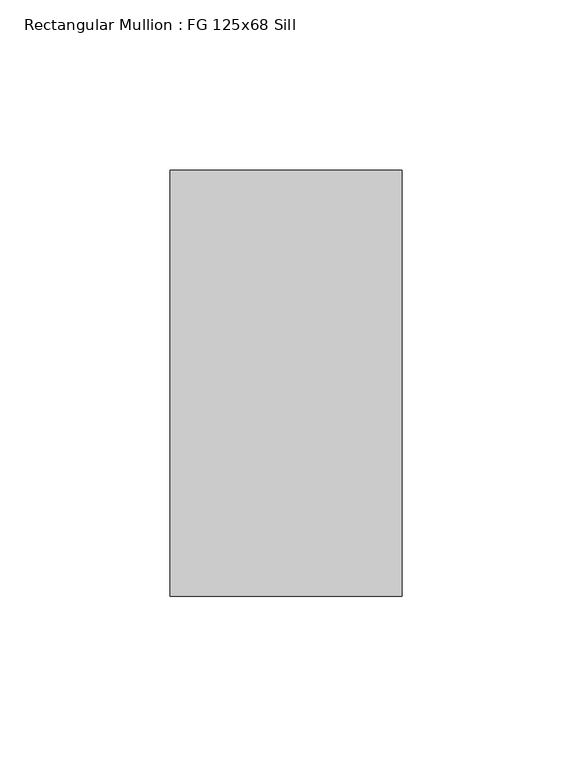
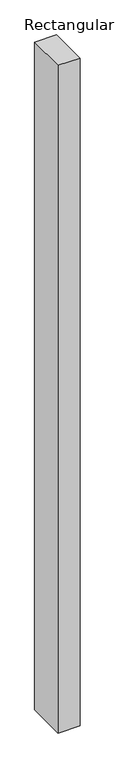
"""IFC4 building model written with IfcOpenShell, lengths in millimetres: member geometry, Rectangular Mullion : FG 125x68 Sill."""

import ifcopenshell
import ifcopenshell.guid

model = None  # the IFC model being written
_history = None  # IfcOwnerHistory: only IFC2X3 demands one
_inside = {}  # id of a spatial element -> (the spatial element, [elements in it])
_under = {}  # id of a project, library or spatial element -> (it, [spatial elements below it])
_declared = {}  # id of a project -> (the project, [libraries it declares])
_typed = {}  # id of a type object -> (the type object, [elements of that type])
_made_of = {}  # id of a material, layer set ... -> (it, [elements and type objects made of it])


def new_model(schema):
    """Start an empty IFC model of exactly this schema.

    Asked for "IFC4X3", IfcOpenShell would pick the latest addendum, in which some entities
    have other attributes; the version numbers below select the first issue.
    IFC2X3 requires an IfcOwnerHistory on every rooted entity: one is made here for all.
    """
    global model, _history
    if schema == "IFC4X3":
        model = ifcopenshell.file(schema_version=(4, 3, 0, 0))
    else:
        model = ifcopenshell.file(schema=schema)
    _inside.clear()
    _under.clear()
    _declared.clear()
    _typed.clear()
    _made_of.clear()
    _history = None
    if model.schema == "IFC2X3":
        org = make("IfcOrganization", Name="unknown")
        user = make(
            "IfcPersonAndOrganization",
            ThePerson=make("IfcPerson", FamilyName="unknown"),
            TheOrganization=org,
        )
        app = make(
            "IfcApplication",
            ApplicationDeveloper=org,
            Version="unknown",
            ApplicationFullName="unknown",
            ApplicationIdentifier="unknown",
        )
        _history = make(
            "IfcOwnerHistory",
            OwningUser=user,
            OwningApplication=app,
            ChangeAction="ADDED",
            CreationDate=0,
        )
    return model


def make(cls, **values):
    """One entity of the class cls with the attributes given. An attribute that is None is left unset."""
    return model.create_entity(
        cls, **{name: value for name, value in values.items() if value is not None}
    )


def rooted(cls, **values):
    """An entity with a GlobalId (a new one), such as an element, a storey or a relation."""
    return make(cls, GlobalId=ifcopenshell.guid.new(), OwnerHistory=_history, **values)


def si_unit(unit_type, name, prefix=None):
    """IfcSIUnit, for example si_unit("LENGTHUNIT", "METRE", prefix="MILLI")."""
    return make("IfcSIUnit", UnitType=unit_type, Prefix=prefix, Name=name)


def assignment(units):
    """IfcUnitAssignment: the units of a project."""
    return None if units is None else make("IfcUnitAssignment", Units=units)


def point(xyz):
    """IfcCartesianPoint."""
    return None if xyz is None else make("IfcCartesianPoint", Coordinates=xyz)


def direction(xyz):
    """IfcDirection."""
    return None if xyz is None else make("IfcDirection", DirectionRatios=xyz)


def frame(location, z_axis=None, x_axis=None):
    """IfcAxis2Placement3D, a coordinate frame: its origin and axes. An axis left out is left unset."""
    return make(
        "IfcAxis2Placement3D",
        Location=point(location),
        Axis=direction(z_axis),
        RefDirection=direction(x_axis),
    )


def origin():
    """The frame at (0, 0, 0) with its axes left unset."""
    return frame((0.0, 0.0, 0.0))


def place(relative_to, where):
    """IfcLocalPlacement: puts the frame where relative to a parent placement (None: the world)."""
    return make(
        "IfcLocalPlacement", PlacementRelTo=relative_to, RelativePlacement=where
    )


def context(
    kind, dimensions, precision=None, world=None, true_north=None, identifier=None
):
    """IfcGeometricRepresentationContext, for example the 3D "Model" context."""
    return make(
        "IfcGeometricRepresentationContext",
        ContextIdentifier=identifier,
        ContextType=kind,
        CoordinateSpaceDimension=dimensions,
        Precision=precision,
        WorldCoordinateSystem=world,
        TrueNorth=true_north,
    )


def project(units=None, contexts=None):
    """IfcProject with its units and contexts."""
    return rooted(
        "IfcProject",
        Name="project",
        RepresentationContexts=contexts,
        UnitsInContext=assignment(units),
    )


def spatial(cls, under=None, at=None, **own):
    """A site, building, storey or space (cls), placed at a placement, below another one or the project."""
    s = rooted(cls, ObjectPlacement=at, **own)
    if under is not None:
        _under.setdefault(under.id(), (under, []))[1].append(s)
    return s


def polyline(points):
    """IfcPolyline through the points."""
    return make("IfcPolyline", Points=[point(p) for p in points])


def outline(outer, holes=None, kind="AREA"):
    """IfcArbitraryClosedProfileDef: a profile drawn as a closed curve; with holes, ...WithVoids."""
    if holes is None:
        return make("IfcArbitraryClosedProfileDef", ProfileType=kind, OuterCurve=outer)
    return make(
        "IfcArbitraryProfileDefWithVoids",
        ProfileType=kind,
        OuterCurve=outer,
        InnerCurves=holes,
    )


def extrude(swept, where, along, depth):
    """IfcExtrudedAreaSolid: the profile swept, set in the frame where, extruded along a direction by depth."""
    return make(
        "IfcExtrudedAreaSolid",
        SweptArea=swept,
        Position=where,
        ExtrudedDirection=direction(along),
        Depth=depth,
    )


def shape(context_of_items, identifier, shape_type, items):
    """IfcShapeRepresentation: the items that make up one representation, for example the "Body"."""
    return make(
        "IfcShapeRepresentation",
        ContextOfItems=context_of_items,
        RepresentationIdentifier=identifier,
        RepresentationType=shape_type,
        Items=items,
    )


def source(mapping_origin, context_of_items, identifier, shape_type, items):
    """IfcRepresentationMap: a shape defined once, which mapped items show again and again."""
    return make(
        "IfcRepresentationMap",
        MappingOrigin=mapping_origin,
        MappedRepresentation=shape(context_of_items, identifier, shape_type, items),
    )


def transform(
    local_origin,
    x_axis=None,
    y_axis=None,
    z_axis=None,
    scale=None,
    scale2=None,
    scale3=None,
    uniform=True,
):
    """IfcCartesianTransformationOperator3D, or its non-uniform kind. x_axis, y_axis, z_axis: its Axis1, 2, 3."""
    if uniform:
        return make(
            "IfcCartesianTransformationOperator3D",
            Axis1=direction(x_axis),
            Axis2=direction(y_axis),
            LocalOrigin=point(local_origin),
            Scale=scale,
            Axis3=direction(z_axis),
        )
    return make(
        "IfcCartesianTransformationOperator3DnonUniform",
        Axis1=direction(x_axis),
        Axis2=direction(y_axis),
        LocalOrigin=point(local_origin),
        Scale=scale,
        Axis3=direction(z_axis),
        Scale2=scale2,
        Scale3=scale3,
    )


def mapped(mapping_source, mapping_target):
    """IfcMappedItem: shows the shape of a source again, moved by a transform."""
    return make(
        "IfcMappedItem", MappingSource=mapping_source, MappingTarget=mapping_target
    )


def made_of(thing, what):
    """Note that an element or type object is made of a material, layer set ...; save() writes the relation."""
    if what is not None:
        _made_of.setdefault(what.id(), (what, []))[1].append(thing)
    return thing


def element(
    cls,
    number,
    at=None,
    inside=None,
    cuts=None,
    type_object=None,
    material=None,
    context=None,
    identifier="Body",
    shape_type=None,
    held_by="IfcProductDefinitionShape",
    body=None,
    shapes=None,
    **own,
):
    """One element of the class cls, such as IfcWall. Its Tag is "e" and its number.

    at: its placement. inside: the storey or other place that contains it. cuts: it is an
    opening in that element (IfcRelVoidsElement). A single representation is given by context,
    identifier, shape_type and body (its items); several are given by shapes. held_by: the class
    of the entity that holds the representations. save() writes the other relations.
    """
    e = rooted(cls, Tag="e%d" % number, ObjectPlacement=at, **own)
    if body is not None:
        shapes = [shape(context, identifier, shape_type, body)]
    if shapes is not None:
        e.Representation = make(held_by, Representations=shapes)
    if inside is not None:
        _inside.setdefault(inside.id(), (inside, []))[1].append(e)
    if cuts is not None:
        rooted(
            "IfcRelVoidsElement", RelatingBuildingElement=cuts, RelatedOpeningElement=e
        )
    if type_object is not None:
        _typed.setdefault(type_object.id(), (type_object, []))[1].append(e)
    return made_of(e, material)


def aggregate(whole, parts):
    """IfcRelAggregates: a whole, such as a stair, and the parts it consists of."""
    return rooted("IfcRelAggregates", RelatingObject=whole, RelatedObjects=parts)


def save(model, path):
    """Write the relations noted so far, then the file.

    IfcRelAggregates (storeys below a building ...), IfcRelContainedInSpatialStructure (elements
    in a storey), IfcRelDefinesByType, IfcRelAssociatesMaterial and IfcRelDeclares: one each for
    every whole, place, type object, material and project.
    """
    for whole, parts in _under.values():
        aggregate(whole, parts)
    for where, things in _inside.values():
        rooted(
            "IfcRelContainedInSpatialStructure",
            RelatedElements=things,
            RelatingStructure=where,
        )
    for kind, things in _typed.values():
        rooted("IfcRelDefinesByType", RelatedObjects=things, RelatingType=kind)
    for what, things in _made_of.values():
        rooted("IfcRelAssociatesMaterial", RelatedObjects=things, RelatingMaterial=what)
    for by, libraries in _declared.values():
        rooted("IfcRelDeclares", RelatingContext=by, RelatedDefinitions=libraries)
    model.write(path)


def rectangular_mullion_fg_125x68_sill_bdce8b96(model_context):
    return source(origin(), model_context, "Body", "SweptSolid", [
        extrude(outline(polyline([(0.0, 62.5), (0.0, -62.5), (-68.0, -62.5), (-68.0, 62.5), (0.0, 62.5)])), frame((0.0, 0.0, -2185.0010868), z_axis=(0.0, 0.0, 1.0), x_axis=(1.0, 0.0, 0.0)), (0.0, 0.0, 1.0), 2185.0010868),
    ])


if __name__ == "__main__":
    model = new_model("IFC4")
    model_context = context("Model", 3, world=origin())
    ifc_project = project(units=[si_unit("LENGTHUNIT", "METRE", prefix="MILLI")], contexts=[model_context])
    site = spatial("IfcSite", under=ifc_project)
    building = spatial("IfcBuilding", under=site)
    placement = place(None, origin())
    rectangular_mullion_fg_125x68_sill_shape = rectangular_mullion_fg_125x68_sill_bdce8b96(model_context)
    element("IfcMember", 1, ObjectType="Rectangular Mullion : FG 125x68 Sill", at=placement, inside=building, context=model_context, shape_type="MappedRepresentation", body=[
        mapped(rectangular_mullion_fg_125x68_sill_shape, transform((0.0, 0.0, 0.0), x_axis=(1.0, 0.0, 0.0), y_axis=(0.0, 1.0, 0.0), z_axis=(0.0, 0.0, 1.0))),
    ])
    save(model, "model.ifc")
